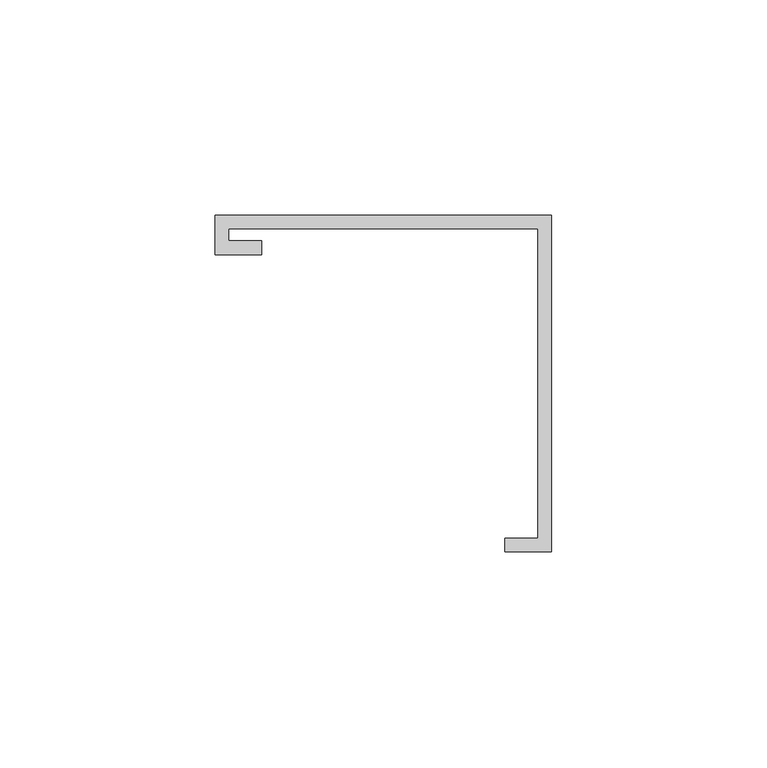
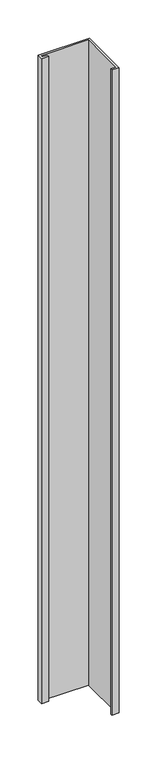
"""IFC4 building model written with IfcOpenShell, lengths in millimetres: furniture geometry."""

from ifc_helpers import new_model, si_unit, frame, origin, place, context, project, spatial, polyline, outline, extrude, source, transform, mapped, element, save


def furniture_778e9c7f(model_context):
    return source(origin(), model_context, "Body", "SweptSolid", [
        extrude(outline(polyline([(-39.0921875, 29.9735875), (-39.0921875, 39.0921875), (39.0921875, 39.0921875), (39.0921875, -39.0921875), (28.2971875, -39.0921875), (28.2971875, -35.9171875), (35.9171875, -35.9171875), (35.9171875, 35.9171875), (-35.9171875, 35.9171875), (-35.9171875, 33.1485875), (-28.2971875, 33.1485875), (-28.2971875, 29.9735875), (-39.0921875, 29.9735875)])), frame((0.0, 0.0, 1157.2875), z_axis=(0.0, 0.0, 1.0), x_axis=(1.0, 0.0, 0.0)), (0.0, 0.0, 1.0), 1034.4546875),
    ])


if __name__ == "__main__":
    model = new_model("IFC4")
    model_context = context("Model", 3, world=origin())
    ifc_project = project(units=[si_unit("LENGTHUNIT", "METRE", prefix="MILLI")], contexts=[model_context])
    site = spatial("IfcSite", under=ifc_project)
    building = spatial("IfcBuilding", under=site)
    placement = place(None, origin())
    furniture_shape = furniture_778e9c7f(model_context)
    element("IfcFurniture", 1, at=placement, inside=building, context=model_context, shape_type="MappedRepresentation", body=[
        mapped(furniture_shape, transform((0.0, 0.0, 0.0), x_axis=(1.0, 0.0, 0.0), y_axis=(0.0, 1.0, 0.0), z_axis=(0.0, 0.0, 1.0))),
    ])
    save(model, "model.ifc")
